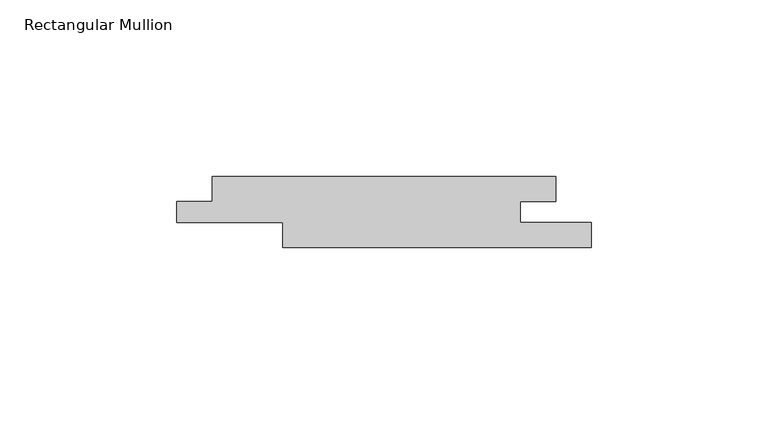
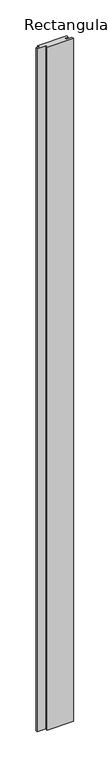
"""IFC4 building model written with IfcOpenShell, lengths in millimetres: member geometry, Rectangular Mullion."""

from ifc_helpers import new_model, si_unit, frame, origin, place, context, project, spatial, polyline, outline, extrude, source, transform, mapped, element, save


def rectangular_mullion_ea55d1c3(model_context):
    return source(origin(), model_context, "Body", "SweptSolid", [
        extrude(outline(polyline([(-117.0, -7.0), (-107.0378982, -7.0), (-107.0378982, 0.0), (-10.0, 0.0), (-10.0, -7.0), (-20.0, -7.0), (-20.0, -13.0), (0.0, -13.0), (0.0, -20.0), (-87.0378982, -20.0), (-87.0378982, -13.0), (-117.0, -13.0), (-117.0, -7.0)])), frame((0.0, 0.0, -2400.0), z_axis=(0.0, 0.0, 1.0), x_axis=(1.0, 0.0, 0.0)), (0.0, 0.0, 1.0), 2400.0),
    ])


if __name__ == "__main__":
    model = new_model("IFC4")
    model_context = context("Model", 3, world=origin())
    ifc_project = project(units=[si_unit("LENGTHUNIT", "METRE", prefix="MILLI")], contexts=[model_context])
    site = spatial("IfcSite", under=ifc_project)
    building = spatial("IfcBuilding", under=site)
    placement = place(None, origin())
    rectangular_mullion_shape = rectangular_mullion_ea55d1c3(model_context)
    element("IfcMember", 1, ObjectType="Rectangular Mullion", at=placement, inside=building, context=model_context, shape_type="MappedRepresentation", body=[
        mapped(rectangular_mullion_shape, transform((0.0, 0.0, 0.0), x_axis=(1.0, 0.0, 0.0), y_axis=(0.0, 1.0, 0.0), z_axis=(0.0, 0.0, 1.0))),
    ])
    save(model, "model.ifc")
